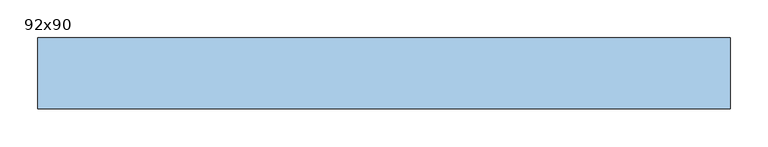
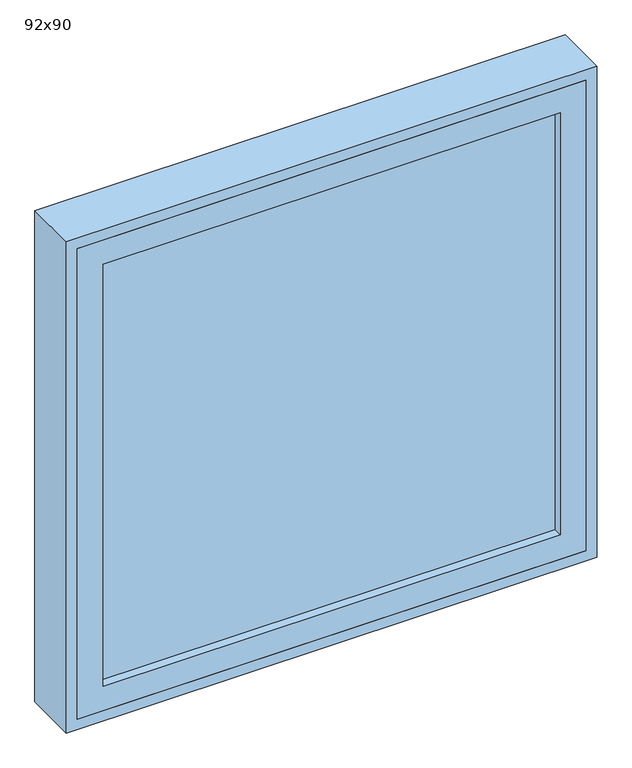
"""IFC4 building model written with IfcOpenShell, lengths in millimetres: window geometry, 92x90."""

from ifc_helpers import new_model, si_unit, frame, origin, place, context, project, spatial, polyline, outline, extrude, source, transform, mapped, element, save


def window_92x90_3640b707(model_context):
    return source(origin(), model_context, "Body", "SweptSolid", [
        extrude(outline(polyline([(358.4, 106.425), (-434.6, 106.425), (-434.6, 119.125), (358.4, 119.125), (358.4, 106.425)])), frame((0.0, 0.0, 977.9), z_axis=(0.0, 0.0, 1.0), x_axis=(1.0, 0.0, 0.0)), (0.0, 0.0, 1.0), 773.0),
        extrude(outline(polyline([(1795.35, -479.05), (933.45, -479.05), (933.45, 402.85), (1795.35, 402.85), (1795.35, -479.05)]), holes=[polyline([(1750.9, -434.6), (1750.9, 358.4), (977.9, 358.4), (977.9, -434.6), (1750.9, -434.6)])]), frame((0.0, 90.55, 0.0), z_axis=(0.0, 1.0, 0.0), x_axis=(0.0, 0.0, 1.0)), (0.0, 0.0, 1.0), 44.45),
        extrude(outline(polyline([(1814.4, 421.9), (1814.4, -498.1), (914.4, -498.1), (914.4, 421.9), (1814.4, 421.9)]), holes=[polyline([(1795.35, 402.85), (933.45, 402.85), (933.45, -479.05), (1795.35, -479.05), (1795.35, 402.85)])]), frame((0.0, 90.55, 0.0), z_axis=(0.0, 1.0, 0.0), x_axis=(0.0, 0.0, 1.0)), (0.0, 0.0, 1.0), 94.45),
    ])


if __name__ == "__main__":
    model = new_model("IFC4")
    model_context = context("Model", 3, world=origin())
    ifc_project = project(units=[si_unit("LENGTHUNIT", "METRE", prefix="MILLI")], contexts=[model_context])
    site = spatial("IfcSite", under=ifc_project)
    building = spatial("IfcBuilding", under=site)
    placement = place(None, origin())
    window_92x90_shape = window_92x90_3640b707(model_context)
    element("IfcWindow", 1, ObjectType="92x90", at=placement, inside=building, context=model_context, shape_type="MappedRepresentation", body=[
        mapped(window_92x90_shape, transform((0.0, 0.0, 0.0), x_axis=(1.0, 0.0, 0.0), y_axis=(0.0, 1.0, 0.0), z_axis=(0.0, 0.0, 1.0))),
    ])
    save(model, "model.ifc")
